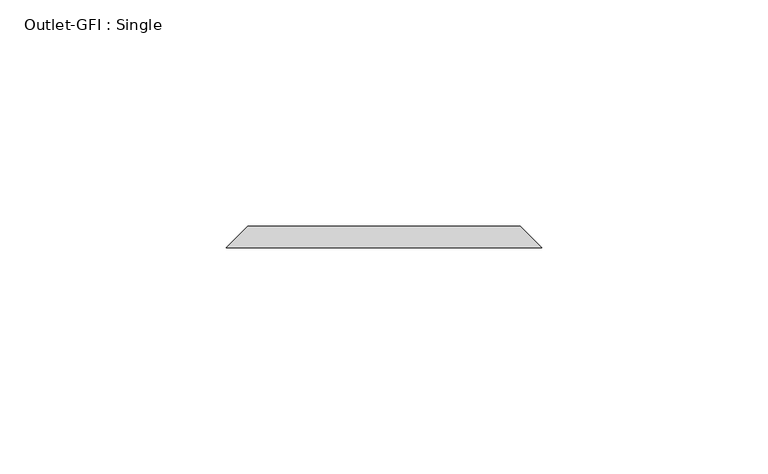
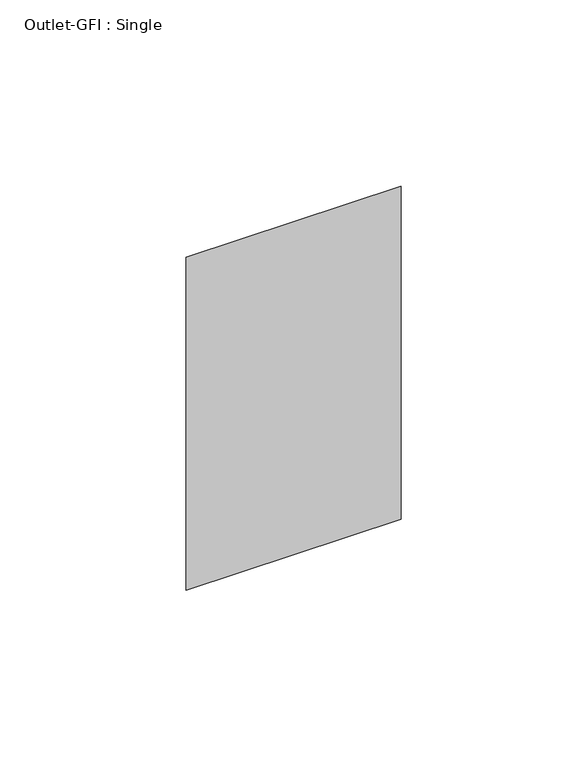
"""IFC4 building model written with IfcOpenShell, lengths in millimetres: proxy geometry, Outlet-GFI : Single."""

from ifc_helpers import new_model, si_unit, origin, place, context, project, spatial, faceted_brep, source, transform, mapped, element, save


def outlet_gfi_single_61352908(model_context):
    return source(origin(), model_context, "Body", "Brep", [
        faceted_brep([(-30.1625, 104.7625, 1271.5875), (30.1625, 104.7625, 1271.5875), (30.1625, 104.7625, 1166.8125), (-30.1625, 104.7625, 1166.8125), (-34.925, 100.0, 1276.35), (-34.925, 100.0, 1162.05), (34.925, 100.0, 1162.05), (34.925, 100.0, 1276.35)], [[[0, 1, 2, 3]], [[4, 5, 6, 7]], [[4, 7, 1, 0]], [[7, 6, 2, 1]], [[6, 5, 3, 2]], [[5, 4, 0, 3]]]),
    ])


if __name__ == "__main__":
    model = new_model("IFC4")
    model_context = context("Model", 3, world=origin())
    ifc_project = project(units=[si_unit("LENGTHUNIT", "METRE", prefix="MILLI")], contexts=[model_context])
    site = spatial("IfcSite", under=ifc_project)
    building = spatial("IfcBuilding", under=site)
    placement = place(None, origin())
    outlet_gfi_single_shape = outlet_gfi_single_61352908(model_context)
    element("IfcBuildingElementProxy", 1, Name="Outlet-GFI : Single", ObjectType="Outlet-GFI : Single", at=placement, inside=building, context=model_context, shape_type="MappedRepresentation", body=[
        mapped(outlet_gfi_single_shape, transform((0.0, 0.0, 0.0), x_axis=(1.0, 0.0, 0.0), y_axis=(0.0, 1.0, 0.0), z_axis=(0.0, 0.0, 1.0))),
    ])
    save(model, "model.ifc")
